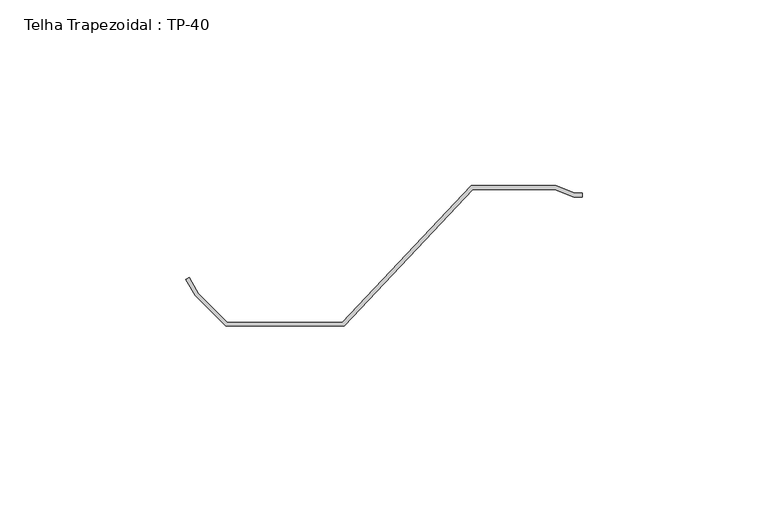
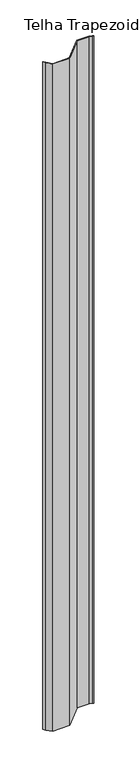
"""IFC4 building model written with IfcOpenShell, lengths in millimetres: proxy geometry, Telha Trapezoidal : TP-40."""

from ifc_helpers import new_model, si_unit, origin, origin_with_axes, place, context, project, spatial, polyline, outline, extrude, source, transform, mapped, element, save


def telha_trapezoidal_tp_40_fd7273cf(model_context):
    return source(origin(), model_context, "Body", "SweptSolid", [
        extrude(outline(polyline([(-515.792684, -23.7684925), (-513.3692996, -27.9558852), (-505.4791462, -35.8296945), (-474.5208538, -35.797597), (-439.8508858, 0.9881094), (-417.1533008, 1.0116422), (-412.0470561, -1.024717), (-410.0339006, -1.0226298), (-410.0339006, -2.0226303), (-412.2386016, -2.0249161), (-417.3448463, 0.0114431), (-439.4188027, -0.0114431), (-474.0887707, -36.7971496), (-505.8923228, -36.8301234), (-514.1688617, -28.5707289), (-516.6581905, -24.2693901), (-515.792684, -23.7684925)])), origin_with_axes(), (0.0, 0.0, 1.0), 1300.0),
    ])


if __name__ == "__main__":
    model = new_model("IFC4")
    model_context = context("Model", 3, world=origin())
    ifc_project = project(units=[si_unit("LENGTHUNIT", "METRE", prefix="MILLI")], contexts=[model_context])
    site = spatial("IfcSite", under=ifc_project)
    building = spatial("IfcBuilding", under=site)
    placement = place(None, origin())
    telha_trapezoidal_tp_40_shape = telha_trapezoidal_tp_40_fd7273cf(model_context)
    element("IfcBuildingElementProxy", 1, Name="Telha Trapezoidal : TP-40", ObjectType="Telha Trapezoidal : TP-40", at=placement, inside=building, context=model_context, shape_type="MappedRepresentation", body=[
        mapped(telha_trapezoidal_tp_40_shape, transform((0.0, 0.0, 0.0), x_axis=(1.0, 0.0, 0.0), y_axis=(0.0, 1.0, 0.0), z_axis=(0.0, 0.0, 1.0))),
    ])
    save(model, "model.ifc")
